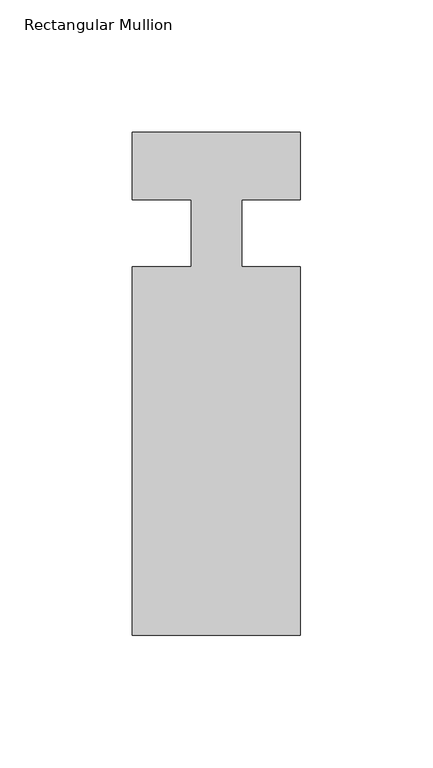
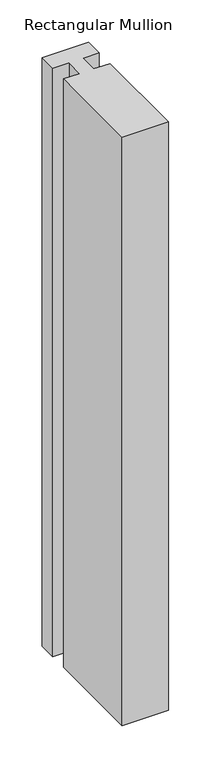
"""IFC4 building model written with IfcOpenShell, lengths in millimetres: member geometry, Rectangular Mullion."""

from ifc_helpers import new_model, si_unit, frame, origin, place, context, project, spatial, polyline, outline, extrude, source, transform, mapped, element, save


def rectangular_mullion_df1723fa(model_context):
    return source(origin(), model_context, "Body", "SweptSolid", [
        extrude(outline(polyline([(-31.75, -151.9039062), (-31.75, -12.7119062), (-9.5251132, -12.7119062), (-9.5251132, 12.7044051), (-31.75, 12.7044051), (-31.75, 38.0880937), (31.75, 38.0880938), (31.75, 12.7185702), (9.525, 12.7185702), (9.525, -12.7119062), (31.75, -12.7119062), (31.75, -151.9039062), (-31.75, -151.9039062)])), frame((0.0, 0.0, -850.9), z_axis=(0.0, 0.0, 1.0), x_axis=(1.0, 0.0, 0.0)), (0.0, 0.0, 1.0), 850.9),
    ])


if __name__ == "__main__":
    model = new_model("IFC4")
    model_context = context("Model", 3, world=origin())
    ifc_project = project(units=[si_unit("LENGTHUNIT", "METRE", prefix="MILLI")], contexts=[model_context])
    site = spatial("IfcSite", under=ifc_project)
    building = spatial("IfcBuilding", under=site)
    placement = place(None, origin())
    rectangular_mullion_shape = rectangular_mullion_df1723fa(model_context)
    element("IfcMember", 1, ObjectType="Rectangular Mullion", at=placement, inside=building, context=model_context, shape_type="MappedRepresentation", body=[
        mapped(rectangular_mullion_shape, transform((0.0, 0.0, 0.0), x_axis=(1.0, 0.0, 0.0), y_axis=(0.0, 1.0, 0.0), z_axis=(0.0, 0.0, 1.0))),
    ])
    save(model, "model.ifc")
